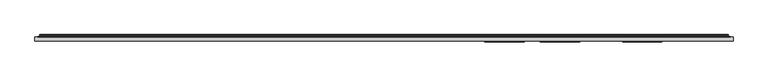
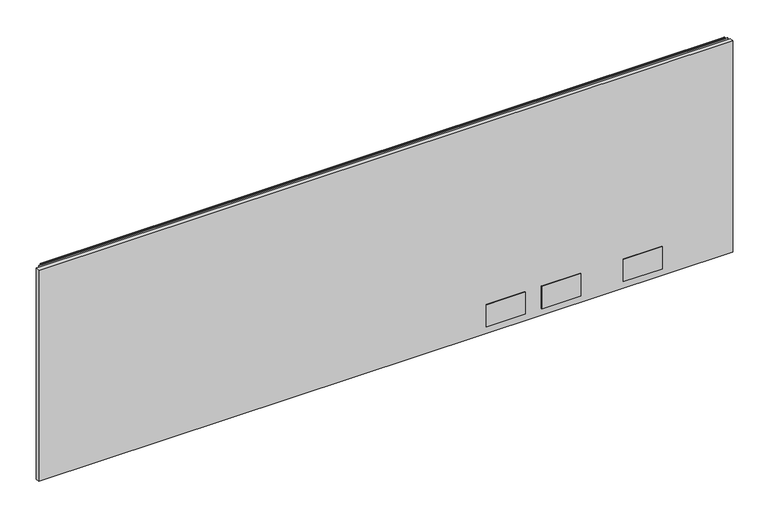
"""IFC4 building model written with IfcOpenShell, lengths in millimetres: furniture geometry."""

from ifc_helpers import new_model, si_unit, point, frame, frame_2d, origin, place, context, project, spatial, polyline, circle_curve, trimmed, segment, composite_curve, outline, extrude, source, transform, mapped, element, save


def furniture_aa822d51(model_context):
    return source(origin(), model_context, "Body", "SweptSolid", [
        extrude(outline(polyline([(1.778, 1.45288), (1.778, 10.9778796), (1674.6219835, 10.9778796), (1674.6219835, 1.45288), (1.778, 1.45288)])), frame((0.0, 0.0, 16.0528), z_axis=(0.0, 0.0, 1.0), x_axis=(1.0, 0.0, 0.0)), (0.0, 0.0, 1.0), 537.9592871),
        extrude(outline(polyline([(1173.861016, -0.57912), (1079.627015, -0.57912), (1079.627015, 1.45288), (1173.861016, 1.45288), (1173.861016, -0.57912)])), frame((0.0, 0.0, 33.5787996), z_axis=(0.0, 0.0, 1.0), x_axis=(1.0, 0.0, 0.0)), (0.0, 0.0, 1.0), 56.6420005),
        extrude(outline(polyline([(1307.211016, -0.57912), (1212.977015, -0.57912), (1212.977015, 1.45288), (1307.211016, 1.45288), (1307.211016, -0.57912)])), frame((0.0, 0.0, 33.5787996), z_axis=(0.0, 0.0, 1.0), x_axis=(1.0, 0.0, 0.0)), (0.0, 0.0, 1.0), 56.6420005),
        extrude(outline(polyline([(1504.0610281, -0.57912), (1409.8270271, -0.57912), (1409.8270271, 1.45288), (1504.0610281, 1.45288), (1504.0610281, -0.57912)])), frame((0.0, 0.0, 33.5787996), z_axis=(0.0, 0.0, 1.0), x_axis=(1.0, 0.0, 0.0)), (0.0, 0.0, 1.0), 56.6420005),
        extrude(outline(composite_curve([segment(polyline([(10.9778796, 558.4381024), (10.9778796, 559.3805903)]), True, "CONTINUOUS"), segment(trimmed(circle_curve(frame_2d((11.6164846, 559.3805903)), 0.638605), [point((10.9778796, 559.3805903))], [point((11.6164846, 560.0191953))], False, "CARTESIAN"), True, "CONTINUOUS"), segment(polyline([(11.6164846, 560.0191953), (13.251317, 560.0191953)]), True, "CONTINUOUS"), segment(trimmed(circle_curve(frame_2d((13.251317, 557.6458753)), 2.37332), [point((13.251317, 560.0191953))], [point((15.6071079, 557.3579575))], False, "CARTESIAN"), True, "CONTINUOUS"), segment(polyline([(15.6071079, 557.3579575), (15.2080413, 554.0927287)]), True, "CONTINUOUS"), segment(trimmed(circle_curve(frame_2d((17.5068753, 553.8117719)), 2.3159393), [point((15.2080413, 554.0927287))], [point((15.5012134, 552.6538018))], True, "CARTESIAN"), True, "CONTINUOUS"), segment(polyline([(15.5012134, 552.6538018), (16.6600675, 550.6466087), (15.9781592, 550.2529085), (14.819305, 552.2601016)]), True, "CONTINUOUS"), segment(trimmed(circle_curve(frame_2d((17.5068753, 553.8117719)), 3.1033393), [point((14.819305, 552.2601016))], [point((14.4264569, 554.1882516))], False, "CARTESIAN"), True, "CONTINUOUS"), segment(polyline([(14.4264569, 554.1882516), (14.8255236, 557.4534804)]), True, "CONTINUOUS"), segment(trimmed(circle_curve(frame_2d((13.251317, 557.6458753)), 1.58592), [point((14.8255236, 557.4534804))], [point((13.251317, 559.2317953))], True, "CARTESIAN"), True, "CONTINUOUS"), segment(polyline([(13.251317, 559.2317953), (11.7652796, 559.2317953), (11.7652796, 558.4381024), (10.9778796, 558.4381024)]), True, "CONTINUOUS")], self_intersect=False)), frame((13.7160002, 0.0, 0.0), z_axis=(1.0, 0.0, 0.0), x_axis=(0.0, 1.0, 0.0)), (0.0, 0.0, 1.0), 1648.9680076),
        extrude(outline(polyline([(8.1280002, 10.9778796), (8.1280002, 11.7652796), (1668.2720078, 11.7652796), (1668.2720078, 10.9778796), (8.1280002, 10.9778796)])), frame((0.0, 0.0, 527.7612079), z_axis=(0.0, 0.0, 1.0), x_axis=(1.0, 0.0, 0.0)), (0.0, 0.0, 1.0), 30.8009179),
    ])


if __name__ == "__main__":
    model = new_model("IFC4")
    model_context = context("Model", 3, world=origin())
    ifc_project = project(units=[si_unit("LENGTHUNIT", "METRE", prefix="MILLI")], contexts=[model_context])
    site = spatial("IfcSite", under=ifc_project)
    building = spatial("IfcBuilding", under=site)
    placement = place(None, origin())
    furniture_shape = furniture_aa822d51(model_context)
    element("IfcFurniture", 1, at=placement, inside=building, context=model_context, shape_type="MappedRepresentation", body=[
        mapped(furniture_shape, transform((0.0, 0.0, 0.0), x_axis=(1.0, 0.0, 0.0), y_axis=(0.0, 1.0, 0.0), z_axis=(0.0, 0.0, 1.0))),
    ])
    save(model, "model.ifc")
